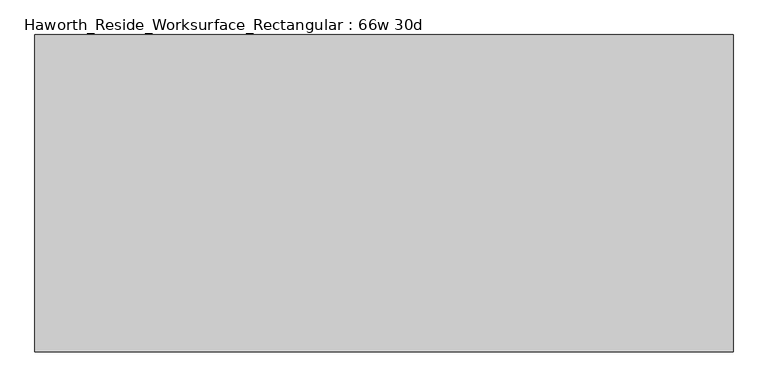
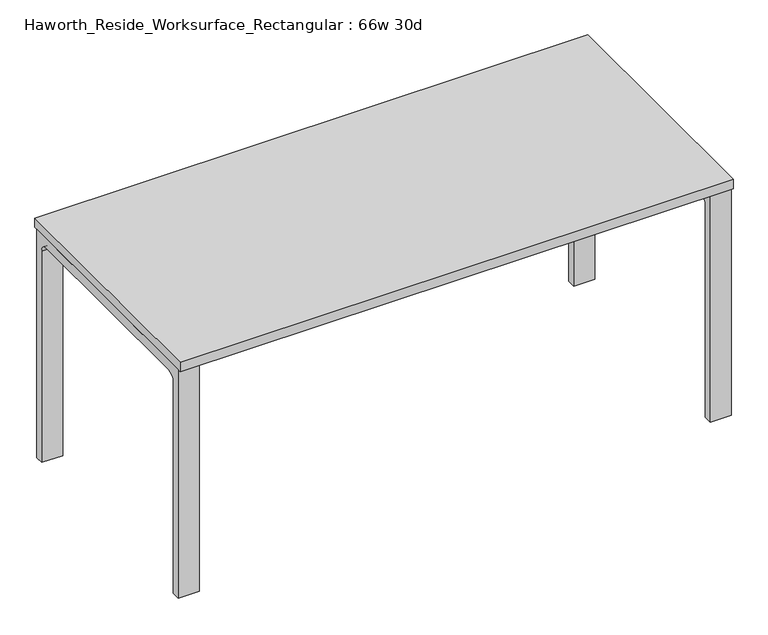
"""IFC4 building model written with IfcOpenShell, lengths in millimetres: furniture geometry, Haworth_Reside_Worksurface_Rectangular : 66w 30d."""

from ifc_helpers import new_model, si_unit, point, frame, frame_2d, origin, place, context, project, spatial, polyline, circle_curve, trimmed, segment, composite_curve, outline, extrude, source, transform, mapped, element, save


def haworth_reside_worksurface_rectangular_66w_30d_1e7d5ee3(model_context):
    return source(origin(), model_context, "Body", "SweptSolid", [
        extrude(outline(composite_curve([segment(trimmed(circle_curve(frame_2d((320.675, 676.275)), 25.4), [point((346.075, 676.275))], [point((320.675, 701.675))], True, "CARTESIAN"), True, "CONTINUOUS"), segment(polyline([(320.675, 701.675), (-320.675, 701.675)]), True, "CONTINUOUS"), segment(trimmed(circle_curve(frame_2d((-320.675, 676.275)), 25.4), [point((-320.675, 701.675))], [point((-346.075, 676.275))], True, "CARTESIAN"), True, "CONTINUOUS"), segment(polyline([(-346.075, 676.275), (-346.075, 0.0), (-371.475, 0.0), (-371.475, 731.8375), (371.475, 731.8375), (371.475, 0.0), (346.075, 0.0), (346.075, 676.275)]), True, "CONTINUOUS")], self_intersect=False)), frame((774.7, 0.0, 0.0), z_axis=(1.0, 0.0, 0.0), x_axis=(0.0, 1.0, 0.0)), (0.0, 0.0, 1.0), 63.5),
        extrude(outline(composite_curve([segment(trimmed(circle_curve(frame_2d((320.675, 676.275)), 25.4), [point((346.075, 676.275))], [point((320.675, 701.675))], True, "CARTESIAN"), True, "CONTINUOUS"), segment(polyline([(320.675, 701.675), (-320.675, 701.675)]), True, "CONTINUOUS"), segment(trimmed(circle_curve(frame_2d((-320.675, 676.275)), 25.4), [point((-320.675, 701.675))], [point((-346.075, 676.275))], True, "CARTESIAN"), True, "CONTINUOUS"), segment(polyline([(-346.075, 676.275), (-346.075, 0.0), (-371.475, 0.0), (-371.475, 731.8375), (371.475, 731.8375), (371.475, 0.0), (346.075, 0.0), (346.075, 676.275)]), True, "CONTINUOUS")], self_intersect=False)), frame((-838.2, 0.0, 0.0), z_axis=(1.0, 0.0, 0.0), x_axis=(0.0, 1.0, 0.0)), (0.0, 0.0, 1.0), 63.5),
        extrude(outline(polyline([(838.2, 381.0), (838.2, -381.0), (-838.2, -381.0), (-838.2, 381.0), (838.2, 381.0)])), frame((0.0, 0.0, 731.8375), z_axis=(0.0, 0.0, 1.0), x_axis=(1.0, 0.0, 0.0)), (0.0, 0.0, 1.0), 30.1625),
    ])


if __name__ == "__main__":
    model = new_model("IFC4")
    model_context = context("Model", 3, world=origin())
    ifc_project = project(units=[si_unit("LENGTHUNIT", "METRE", prefix="MILLI")], contexts=[model_context])
    site = spatial("IfcSite", under=ifc_project)
    building = spatial("IfcBuilding", under=site)
    placement = place(None, origin())
    haworth_reside_worksurface_rectangular_66w_30d_shape = haworth_reside_worksurface_rectangular_66w_30d_1e7d5ee3(model_context)
    element("IfcFurniture", 1, ObjectType="Haworth_Reside_Worksurface_Rectangular : 66w 30d", at=placement, inside=building, context=model_context, shape_type="MappedRepresentation", body=[
        mapped(haworth_reside_worksurface_rectangular_66w_30d_shape, transform((0.0, 0.0, 0.0), x_axis=(1.0, 0.0, 0.0), y_axis=(0.0, 1.0, 0.0), z_axis=(0.0, 0.0, 1.0))),
    ])
    save(model, "model.ifc")
